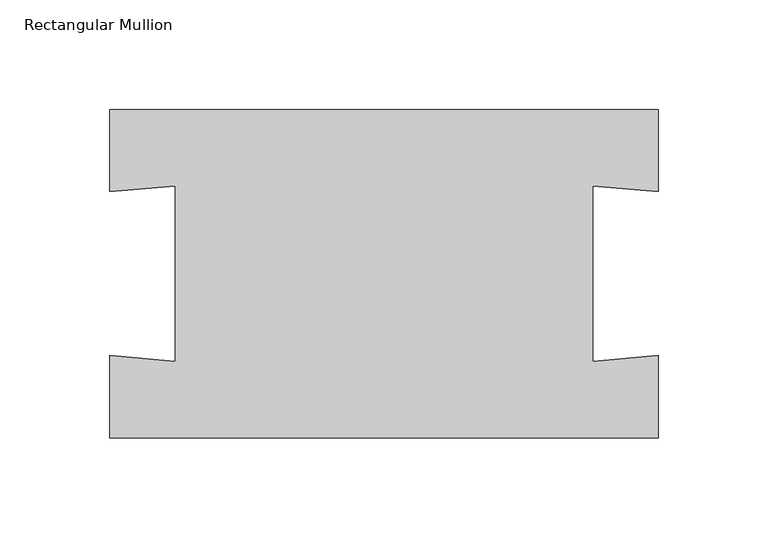
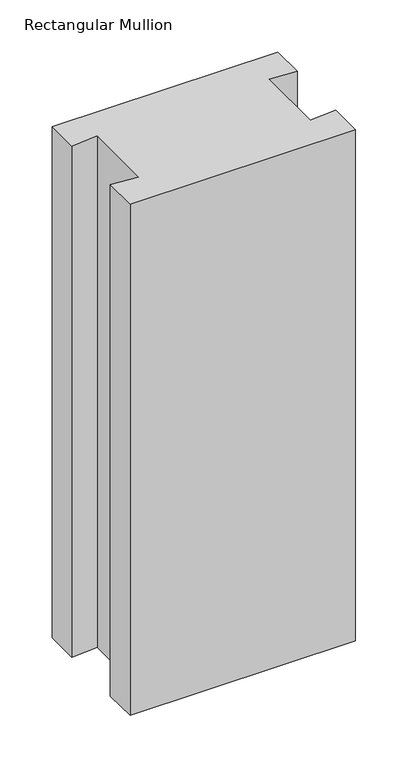
"""IFC4 building model written with IfcOpenShell, lengths in millimetres: member geometry, Rectangular Mullion."""

import ifcopenshell
import ifcopenshell.guid

model = None  # the IFC model being written
_history = None  # IfcOwnerHistory: only IFC2X3 demands one
_inside = {}  # id of a spatial element -> (the spatial element, [elements in it])
_under = {}  # id of a project, library or spatial element -> (it, [spatial elements below it])
_declared = {}  # id of a project -> (the project, [libraries it declares])
_typed = {}  # id of a type object -> (the type object, [elements of that type])
_made_of = {}  # id of a material, layer set ... -> (it, [elements and type objects made of it])


def new_model(schema):
    """Start an empty IFC model of exactly this schema.

    Asked for "IFC4X3", IfcOpenShell would pick the latest addendum, in which some entities
    have other attributes; the version numbers below select the first issue.
    IFC2X3 requires an IfcOwnerHistory on every rooted entity: one is made here for all.
    """
    global model, _history
    if schema == "IFC4X3":
        model = ifcopenshell.file(schema_version=(4, 3, 0, 0))
    else:
        model = ifcopenshell.file(schema=schema)
    _inside.clear()
    _under.clear()
    _declared.clear()
    _typed.clear()
    _made_of.clear()
    _history = None
    if model.schema == "IFC2X3":
        org = make("IfcOrganization", Name="unknown")
        user = make(
            "IfcPersonAndOrganization",
            ThePerson=make("IfcPerson", FamilyName="unknown"),
            TheOrganization=org,
        )
        app = make(
            "IfcApplication",
            ApplicationDeveloper=org,
            Version="unknown",
            ApplicationFullName="unknown",
            ApplicationIdentifier="unknown",
        )
        _history = make(
            "IfcOwnerHistory",
            OwningUser=user,
            OwningApplication=app,
            ChangeAction="ADDED",
            CreationDate=0,
        )
    return model


def make(cls, **values):
    """One entity of the class cls with the attributes given. An attribute that is None is left unset."""
    return model.create_entity(
        cls, **{name: value for name, value in values.items() if value is not None}
    )


def rooted(cls, **values):
    """An entity with a GlobalId (a new one), such as an element, a storey or a relation."""
    return make(cls, GlobalId=ifcopenshell.guid.new(), OwnerHistory=_history, **values)


def si_unit(unit_type, name, prefix=None):
    """IfcSIUnit, for example si_unit("LENGTHUNIT", "METRE", prefix="MILLI")."""
    return make("IfcSIUnit", UnitType=unit_type, Prefix=prefix, Name=name)


def assignment(units):
    """IfcUnitAssignment: the units of a project."""
    return None if units is None else make("IfcUnitAssignment", Units=units)


def point(xyz):
    """IfcCartesianPoint."""
    return None if xyz is None else make("IfcCartesianPoint", Coordinates=xyz)


def direction(xyz):
    """IfcDirection."""
    return None if xyz is None else make("IfcDirection", DirectionRatios=xyz)


def frame(location, z_axis=None, x_axis=None):
    """IfcAxis2Placement3D, a coordinate frame: its origin and axes. An axis left out is left unset."""
    return make(
        "IfcAxis2Placement3D",
        Location=point(location),
        Axis=direction(z_axis),
        RefDirection=direction(x_axis),
    )


def origin():
    """The frame at (0, 0, 0) with its axes left unset."""
    return frame((0.0, 0.0, 0.0))


def place(relative_to, where):
    """IfcLocalPlacement: puts the frame where relative to a parent placement (None: the world)."""
    return make(
        "IfcLocalPlacement", PlacementRelTo=relative_to, RelativePlacement=where
    )


def context(
    kind, dimensions, precision=None, world=None, true_north=None, identifier=None
):
    """IfcGeometricRepresentationContext, for example the 3D "Model" context."""
    return make(
        "IfcGeometricRepresentationContext",
        ContextIdentifier=identifier,
        ContextType=kind,
        CoordinateSpaceDimension=dimensions,
        Precision=precision,
        WorldCoordinateSystem=world,
        TrueNorth=true_north,
    )


def project(units=None, contexts=None):
    """IfcProject with its units and contexts."""
    return rooted(
        "IfcProject",
        Name="project",
        RepresentationContexts=contexts,
        UnitsInContext=assignment(units),
    )


def spatial(cls, under=None, at=None, **own):
    """A site, building, storey or space (cls), placed at a placement, below another one or the project."""
    s = rooted(cls, ObjectPlacement=at, **own)
    if under is not None:
        _under.setdefault(under.id(), (under, []))[1].append(s)
    return s


def polyline(points):
    """IfcPolyline through the points."""
    return make("IfcPolyline", Points=[point(p) for p in points])


def outline(outer, holes=None, kind="AREA"):
    """IfcArbitraryClosedProfileDef: a profile drawn as a closed curve; with holes, ...WithVoids."""
    if holes is None:
        return make("IfcArbitraryClosedProfileDef", ProfileType=kind, OuterCurve=outer)
    return make(
        "IfcArbitraryProfileDefWithVoids",
        ProfileType=kind,
        OuterCurve=outer,
        InnerCurves=holes,
    )


def extrude(swept, where, along, depth):
    """IfcExtrudedAreaSolid: the profile swept, set in the frame where, extruded along a direction by depth."""
    return make(
        "IfcExtrudedAreaSolid",
        SweptArea=swept,
        Position=where,
        ExtrudedDirection=direction(along),
        Depth=depth,
    )


def shape(context_of_items, identifier, shape_type, items):
    """IfcShapeRepresentation: the items that make up one representation, for example the "Body"."""
    return make(
        "IfcShapeRepresentation",
        ContextOfItems=context_of_items,
        RepresentationIdentifier=identifier,
        RepresentationType=shape_type,
        Items=items,
    )


def source(mapping_origin, context_of_items, identifier, shape_type, items):
    """IfcRepresentationMap: a shape defined once, which mapped items show again and again."""
    return make(
        "IfcRepresentationMap",
        MappingOrigin=mapping_origin,
        MappedRepresentation=shape(context_of_items, identifier, shape_type, items),
    )


def transform(
    local_origin,
    x_axis=None,
    y_axis=None,
    z_axis=None,
    scale=None,
    scale2=None,
    scale3=None,
    uniform=True,
):
    """IfcCartesianTransformationOperator3D, or its non-uniform kind. x_axis, y_axis, z_axis: its Axis1, 2, 3."""
    if uniform:
        return make(
            "IfcCartesianTransformationOperator3D",
            Axis1=direction(x_axis),
            Axis2=direction(y_axis),
            LocalOrigin=point(local_origin),
            Scale=scale,
            Axis3=direction(z_axis),
        )
    return make(
        "IfcCartesianTransformationOperator3DnonUniform",
        Axis1=direction(x_axis),
        Axis2=direction(y_axis),
        LocalOrigin=point(local_origin),
        Scale=scale,
        Axis3=direction(z_axis),
        Scale2=scale2,
        Scale3=scale3,
    )


def mapped(mapping_source, mapping_target):
    """IfcMappedItem: shows the shape of a source again, moved by a transform."""
    return make(
        "IfcMappedItem", MappingSource=mapping_source, MappingTarget=mapping_target
    )


def made_of(thing, what):
    """Note that an element or type object is made of a material, layer set ...; save() writes the relation."""
    if what is not None:
        _made_of.setdefault(what.id(), (what, []))[1].append(thing)
    return thing


def element(
    cls,
    number,
    at=None,
    inside=None,
    cuts=None,
    type_object=None,
    material=None,
    context=None,
    identifier="Body",
    shape_type=None,
    held_by="IfcProductDefinitionShape",
    body=None,
    shapes=None,
    **own,
):
    """One element of the class cls, such as IfcWall. Its Tag is "e" and its number.

    at: its placement. inside: the storey or other place that contains it. cuts: it is an
    opening in that element (IfcRelVoidsElement). A single representation is given by context,
    identifier, shape_type and body (its items); several are given by shapes. held_by: the class
    of the entity that holds the representations. save() writes the other relations.
    """
    e = rooted(cls, Tag="e%d" % number, ObjectPlacement=at, **own)
    if body is not None:
        shapes = [shape(context, identifier, shape_type, body)]
    if shapes is not None:
        e.Representation = make(held_by, Representations=shapes)
    if inside is not None:
        _inside.setdefault(inside.id(), (inside, []))[1].append(e)
    if cuts is not None:
        rooted(
            "IfcRelVoidsElement", RelatingBuildingElement=cuts, RelatedOpeningElement=e
        )
    if type_object is not None:
        _typed.setdefault(type_object.id(), (type_object, []))[1].append(e)
    return made_of(e, material)


def aggregate(whole, parts):
    """IfcRelAggregates: a whole, such as a stair, and the parts it consists of."""
    return rooted("IfcRelAggregates", RelatingObject=whole, RelatedObjects=parts)


def save(model, path):
    """Write the relations noted so far, then the file.

    IfcRelAggregates (storeys below a building ...), IfcRelContainedInSpatialStructure (elements
    in a storey), IfcRelDefinesByType, IfcRelAssociatesMaterial and IfcRelDeclares: one each for
    every whole, place, type object, material and project.
    """
    for whole, parts in _under.values():
        aggregate(whole, parts)
    for where, things in _inside.values():
        rooted(
            "IfcRelContainedInSpatialStructure",
            RelatedElements=things,
            RelatingStructure=where,
        )
    for kind, things in _typed.values():
        rooted("IfcRelDefinesByType", RelatedObjects=things, RelatingType=kind)
    for what, things in _made_of.values():
        rooted("IfcRelAssociatesMaterial", RelatedObjects=things, RelatingMaterial=what)
    for by, libraries in _declared.values():
        rooted("IfcRelDeclares", RelatingContext=by, RelatedDefinitions=libraries)
    model.write(path)


def rectangular_mullion_c793bb75(model_context):
    return source(origin(), model_context, "Body", "SweptSolid", [
        extrude(outline(polyline([(-125.0, 74.8456117), (125.0, 74.8456117), (125.0, 37.3853277), (95.1141591, 40.0), (95.1141591, -40.0), (125.0, -37.3853277), (125.0, -74.8995482), (-125.0, -74.8995482), (-125.0, -37.3562308), (-95.1141591, -39.970903), (-95.1141591, 39.9933394), (-125.0, 37.3786672), (-125.0, 74.8456117)])), frame((0.0, 0.0, -600.0), z_axis=(0.0, 0.0, 1.0), x_axis=(1.0, 0.0, 0.0)), (0.0, 0.0, 1.0), 600.0),
    ])


if __name__ == "__main__":
    model = new_model("IFC4")
    model_context = context("Model", 3, world=origin())
    ifc_project = project(units=[si_unit("LENGTHUNIT", "METRE", prefix="MILLI")], contexts=[model_context])
    site = spatial("IfcSite", under=ifc_project)
    building = spatial("IfcBuilding", under=site)
    placement = place(None, origin())
    rectangular_mullion_shape = rectangular_mullion_c793bb75(model_context)
    element("IfcMember", 1, ObjectType="Rectangular Mullion", at=placement, inside=building, context=model_context, shape_type="MappedRepresentation", body=[
        mapped(rectangular_mullion_shape, transform((0.0, 0.0, 0.0), x_axis=(1.0, 0.0, 0.0), y_axis=(0.0, 1.0, 0.0), z_axis=(0.0, 0.0, 1.0))),
    ])
    save(model, "model.ifc")
